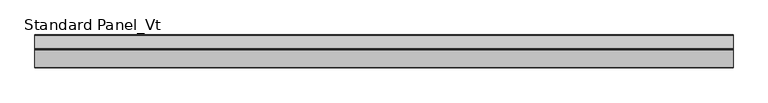
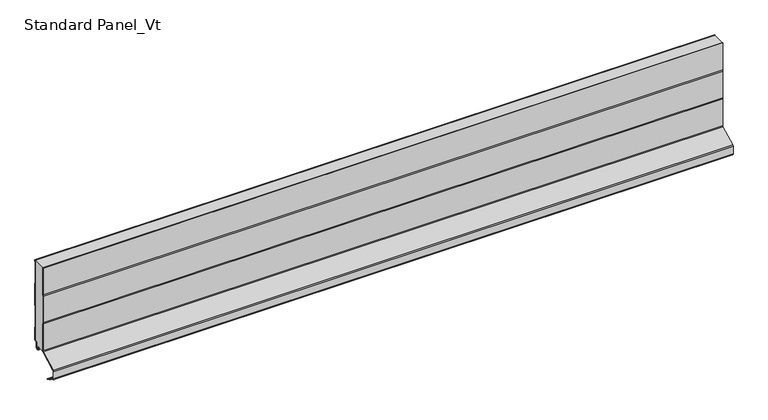
"""IFC4 building model written with IfcOpenShell, lengths in millimetres: proxy geometry, Standard Panel_Vt."""

import ifcopenshell
import ifcopenshell.guid

model = None  # the IFC model being written
_history = None  # IfcOwnerHistory: only IFC2X3 demands one
_inside = {}  # id of a spatial element -> (the spatial element, [elements in it])
_under = {}  # id of a project, library or spatial element -> (it, [spatial elements below it])
_declared = {}  # id of a project -> (the project, [libraries it declares])
_typed = {}  # id of a type object -> (the type object, [elements of that type])
_made_of = {}  # id of a material, layer set ... -> (it, [elements and type objects made of it])


def new_model(schema):
    """Start an empty IFC model of exactly this schema.

    Asked for "IFC4X3", IfcOpenShell would pick the latest addendum, in which some entities
    have other attributes; the version numbers below select the first issue.
    IFC2X3 requires an IfcOwnerHistory on every rooted entity: one is made here for all.
    """
    global model, _history
    if schema == "IFC4X3":
        model = ifcopenshell.file(schema_version=(4, 3, 0, 0))
    else:
        model = ifcopenshell.file(schema=schema)
    _inside.clear()
    _under.clear()
    _declared.clear()
    _typed.clear()
    _made_of.clear()
    _history = None
    if model.schema == "IFC2X3":
        org = make("IfcOrganization", Name="unknown")
        user = make(
            "IfcPersonAndOrganization",
            ThePerson=make("IfcPerson", FamilyName="unknown"),
            TheOrganization=org,
        )
        app = make(
            "IfcApplication",
            ApplicationDeveloper=org,
            Version="unknown",
            ApplicationFullName="unknown",
            ApplicationIdentifier="unknown",
        )
        _history = make(
            "IfcOwnerHistory",
            OwningUser=user,
            OwningApplication=app,
            ChangeAction="ADDED",
            CreationDate=0,
        )
    return model


def make(cls, **values):
    """One entity of the class cls with the attributes given. An attribute that is None is left unset."""
    return model.create_entity(
        cls, **{name: value for name, value in values.items() if value is not None}
    )


def rooted(cls, **values):
    """An entity with a GlobalId (a new one), such as an element, a storey or a relation."""
    return make(cls, GlobalId=ifcopenshell.guid.new(), OwnerHistory=_history, **values)


def si_unit(unit_type, name, prefix=None):
    """IfcSIUnit, for example si_unit("LENGTHUNIT", "METRE", prefix="MILLI")."""
    return make("IfcSIUnit", UnitType=unit_type, Prefix=prefix, Name=name)


def assignment(units):
    """IfcUnitAssignment: the units of a project."""
    return None if units is None else make("IfcUnitAssignment", Units=units)


def point(xyz):
    """IfcCartesianPoint."""
    return None if xyz is None else make("IfcCartesianPoint", Coordinates=xyz)


def direction(xyz):
    """IfcDirection."""
    return None if xyz is None else make("IfcDirection", DirectionRatios=xyz)


def frame(location, z_axis=None, x_axis=None):
    """IfcAxis2Placement3D, a coordinate frame: its origin and axes. An axis left out is left unset."""
    return make(
        "IfcAxis2Placement3D",
        Location=point(location),
        Axis=direction(z_axis),
        RefDirection=direction(x_axis),
    )


def frame_2d(location, x_axis=None):
    """IfcAxis2Placement2D, a coordinate frame in the plane: its origin and x axis."""
    return make(
        "IfcAxis2Placement2D", Location=point(location), RefDirection=direction(x_axis)
    )


def origin():
    """The frame at (0, 0, 0) with its axes left unset."""
    return frame((0.0, 0.0, 0.0))


def place(relative_to, where):
    """IfcLocalPlacement: puts the frame where relative to a parent placement (None: the world)."""
    return make(
        "IfcLocalPlacement", PlacementRelTo=relative_to, RelativePlacement=where
    )


def context(
    kind, dimensions, precision=None, world=None, true_north=None, identifier=None
):
    """IfcGeometricRepresentationContext, for example the 3D "Model" context."""
    return make(
        "IfcGeometricRepresentationContext",
        ContextIdentifier=identifier,
        ContextType=kind,
        CoordinateSpaceDimension=dimensions,
        Precision=precision,
        WorldCoordinateSystem=world,
        TrueNorth=true_north,
    )


def project(units=None, contexts=None):
    """IfcProject with its units and contexts."""
    return rooted(
        "IfcProject",
        Name="project",
        RepresentationContexts=contexts,
        UnitsInContext=assignment(units),
    )


def spatial(cls, under=None, at=None, **own):
    """A site, building, storey or space (cls), placed at a placement, below another one or the project."""
    s = rooted(cls, ObjectPlacement=at, **own)
    if under is not None:
        _under.setdefault(under.id(), (under, []))[1].append(s)
    return s


def polyline(points):
    """IfcPolyline through the points."""
    return make("IfcPolyline", Points=[point(p) for p in points])


def circle_curve(where, radius):
    """IfcCircle in the frame where."""
    return make("IfcCircle", Position=where, Radius=radius)


def trimmed(basis, trim1, trim2, sense, master):
    """IfcTrimmedCurve: the piece of a basis curve between two trims."""
    return make(
        "IfcTrimmedCurve",
        BasisCurve=basis,
        Trim1=trim1,
        Trim2=trim2,
        SenseAgreement=sense,
        MasterRepresentation=master,
    )


def segment(curve, same_sense, transition):
    """IfcCompositeCurveSegment."""
    return make(
        "IfcCompositeCurveSegment",
        Transition=transition,
        SameSense=same_sense,
        ParentCurve=curve,
    )


def composite_curve(segments, self_intersect=None):
    """IfcCompositeCurve: segments joined end to end."""
    return make("IfcCompositeCurve", Segments=segments, SelfIntersect=self_intersect)


def outline(outer, holes=None, kind="AREA"):
    """IfcArbitraryClosedProfileDef: a profile drawn as a closed curve; with holes, ...WithVoids."""
    if holes is None:
        return make("IfcArbitraryClosedProfileDef", ProfileType=kind, OuterCurve=outer)
    return make(
        "IfcArbitraryProfileDefWithVoids",
        ProfileType=kind,
        OuterCurve=outer,
        InnerCurves=holes,
    )


def extrude(swept, where, along, depth):
    """IfcExtrudedAreaSolid: the profile swept, set in the frame where, extruded along a direction by depth."""
    return make(
        "IfcExtrudedAreaSolid",
        SweptArea=swept,
        Position=where,
        ExtrudedDirection=direction(along),
        Depth=depth,
    )


def shape(context_of_items, identifier, shape_type, items):
    """IfcShapeRepresentation: the items that make up one representation, for example the "Body"."""
    return make(
        "IfcShapeRepresentation",
        ContextOfItems=context_of_items,
        RepresentationIdentifier=identifier,
        RepresentationType=shape_type,
        Items=items,
    )


def source(mapping_origin, context_of_items, identifier, shape_type, items):
    """IfcRepresentationMap: a shape defined once, which mapped items show again and again."""
    return make(
        "IfcRepresentationMap",
        MappingOrigin=mapping_origin,
        MappedRepresentation=shape(context_of_items, identifier, shape_type, items),
    )


def transform(
    local_origin,
    x_axis=None,
    y_axis=None,
    z_axis=None,
    scale=None,
    scale2=None,
    scale3=None,
    uniform=True,
):
    """IfcCartesianTransformationOperator3D, or its non-uniform kind. x_axis, y_axis, z_axis: its Axis1, 2, 3."""
    if uniform:
        return make(
            "IfcCartesianTransformationOperator3D",
            Axis1=direction(x_axis),
            Axis2=direction(y_axis),
            LocalOrigin=point(local_origin),
            Scale=scale,
            Axis3=direction(z_axis),
        )
    return make(
        "IfcCartesianTransformationOperator3DnonUniform",
        Axis1=direction(x_axis),
        Axis2=direction(y_axis),
        LocalOrigin=point(local_origin),
        Scale=scale,
        Axis3=direction(z_axis),
        Scale2=scale2,
        Scale3=scale3,
    )


def mapped(mapping_source, mapping_target):
    """IfcMappedItem: shows the shape of a source again, moved by a transform."""
    return make(
        "IfcMappedItem", MappingSource=mapping_source, MappingTarget=mapping_target
    )


def made_of(thing, what):
    """Note that an element or type object is made of a material, layer set ...; save() writes the relation."""
    if what is not None:
        _made_of.setdefault(what.id(), (what, []))[1].append(thing)
    return thing


def element(
    cls,
    number,
    at=None,
    inside=None,
    cuts=None,
    type_object=None,
    material=None,
    context=None,
    identifier="Body",
    shape_type=None,
    held_by="IfcProductDefinitionShape",
    body=None,
    shapes=None,
    **own,
):
    """One element of the class cls, such as IfcWall. Its Tag is "e" and its number.

    at: its placement. inside: the storey or other place that contains it. cuts: it is an
    opening in that element (IfcRelVoidsElement). A single representation is given by context,
    identifier, shape_type and body (its items); several are given by shapes. held_by: the class
    of the entity that holds the representations. save() writes the other relations.
    """
    e = rooted(cls, Tag="e%d" % number, ObjectPlacement=at, **own)
    if body is not None:
        shapes = [shape(context, identifier, shape_type, body)]
    if shapes is not None:
        e.Representation = make(held_by, Representations=shapes)
    if inside is not None:
        _inside.setdefault(inside.id(), (inside, []))[1].append(e)
    if cuts is not None:
        rooted(
            "IfcRelVoidsElement", RelatingBuildingElement=cuts, RelatedOpeningElement=e
        )
    if type_object is not None:
        _typed.setdefault(type_object.id(), (type_object, []))[1].append(e)
    return made_of(e, material)


def aggregate(whole, parts):
    """IfcRelAggregates: a whole, such as a stair, and the parts it consists of."""
    return rooted("IfcRelAggregates", RelatingObject=whole, RelatedObjects=parts)


def save(model, path):
    """Write the relations noted so far, then the file.

    IfcRelAggregates (storeys below a building ...), IfcRelContainedInSpatialStructure (elements
    in a storey), IfcRelDefinesByType, IfcRelAssociatesMaterial and IfcRelDeclares: one each for
    every whole, place, type object, material and project.
    """
    for whole, parts in _under.values():
        aggregate(whole, parts)
    for where, things in _inside.values():
        rooted(
            "IfcRelContainedInSpatialStructure",
            RelatedElements=things,
            RelatingStructure=where,
        )
    for kind, things in _typed.values():
        rooted("IfcRelDefinesByType", RelatedObjects=things, RelatingType=kind)
    for what, things in _made_of.values():
        rooted("IfcRelAssociatesMaterial", RelatedObjects=things, RelatingMaterial=what)
    for by, libraries in _declared.values():
        rooted("IfcRelDeclares", RelatingContext=by, RelatedDefinitions=libraries)
    model.write(path)


def standard_panel_vt_85de35ea(model_context):
    return source(origin(), model_context, "Body", "SweptSolid", [
        extrude(outline(composite_curve([segment(polyline([(-30.0, 32.543601), (-30.0, 93.6817477), (-30.9683897, 96.0633811), (-30.9683897, 156.1675713), (-30.0, 158.5492046), (-30.0, 219.2), (-29.2, 219.2), (-29.2, 158.3927799), (-30.1683897, 156.0111465), (-30.1683897, 96.2198058), (-29.2, 93.8381725), (-29.2, 32.543601)]), True, "CONTINUOUS"), segment(trimmed(circle_curve(frame_2d((-31.75, 32.543601)), 2.55), [point((-29.2, 32.543601))], [point((-30.5528475, 30.2920847))], False, "CARTESIAN"), True, "CONTINUOUS"), segment(polyline([(-30.5528475, 30.2920847), (-66.4808064, 11.1888501)]), True, "CONTINUOUS"), segment(trimmed(circle_curve(frame_2d((-65.5183897, 9.3788075)), 2.05), [point((-66.4808064, 11.1888501))], [point((-67.5683897, 9.3788075))], True, "CARTESIAN"), True, "CONTINUOUS"), segment(polyline([(-67.5683897, 9.3788075), (-67.5683897, -7.362)]), True, "CONTINUOUS"), segment(trimmed(circle_curve(frame_2d((-65.5183897, -7.362)), 2.05), [point((-67.5683897, -7.362))], [point((-66.4808064, -9.1720426))], True, "CARTESIAN"), True, "CONTINUOUS"), segment(polyline([(-66.4808064, -9.1720426), (-57.1800551, -14.1173397), (-54.9723908, -16.438449), (-51.7360251, -17.0119818), (-45.8533964, -20.139831), (-46.2289737, -20.846189), (-52.000038, -17.7776597), (-55.3708693, -17.1802976), (-57.6702585, -14.76275), (-66.8563836, -9.8784006)]), True, "CONTINUOUS"), segment(trimmed(circle_curve(frame_2d((-65.5183897, -7.362)), 2.85), [point((-66.8563836, -9.8784006))], [point((-68.3683897, -7.362))], False, "CARTESIAN"), True, "CONTINUOUS"), segment(polyline([(-68.3683897, -7.362), (-68.3683897, 9.3788075)]), True, "CONTINUOUS"), segment(trimmed(circle_curve(frame_2d((-65.5183897, 9.3788075)), 2.85), [point((-68.3683897, 9.3788075))], [point((-66.8563836, 11.8952082))], False, "CARTESIAN"), True, "CONTINUOUS"), segment(polyline([(-66.8563836, 11.8952082), (-30.9284248, 30.9984427)]), True, "CONTINUOUS"), segment(trimmed(circle_curve(frame_2d((-31.75, 32.543601)), 1.75), [point((-30.9284248, 30.9984427))], [point((-30.0, 32.543601))], True, "CARTESIAN"), True, "CONTINUOUS")], self_intersect=False)), frame((-723.9042608, 0.0, 0.0), z_axis=(1.0, 0.0, 0.0), x_axis=(0.0, 1.0, 0.0)), (0.0, 0.0, 1.0), 1447.8085217),
        extrude(outline(composite_curve([segment(polyline([(-0.8, 216.0956151), (-0.8, 219.2), (0.0, 219.2), (0.0, 215.8812557), (-1.0, 214.1492049), (-1.0, 168.1133065), (0.013703, 166.3812557), (0.013703, 116.8875118), (-0.986297, 115.1130103), (-0.986297, 69.1133065), (0.013703, 67.3812557), (0.013703, 40.153601)]), True, "CONTINUOUS"), segment(trimmed(circle_curve(frame_2d((-2.036297, 40.153601)), 2.05), [point((0.013703, 40.153601))], [point((-2.036297, 38.103601))], False, "CARTESIAN"), True, "CONTINUOUS"), segment(polyline([(-2.036297, 38.103601), (-3.436297, 38.103601)]), True, "CONTINUOUS"), segment(trimmed(circle_curve(frame_2d((-3.436297, 36.153601)), 1.95), [point((-3.436297, 38.103601))], [point((-5.386297, 36.153601))], True, "CARTESIAN"), True, "CONTINUOUS"), segment(polyline([(-5.386297, 36.153601), (-5.386297, 26.353601)]), True, "CONTINUOUS"), segment(trimmed(circle_curve(frame_2d((-9.036297, 26.353601)), 3.65), [point((-5.386297, 26.353601))], [point((-12.5927478, 25.5325297))], False, "CARTESIAN"), True, "CONTINUOUS"), segment(polyline([(-12.5927478, 25.5325297), (-13.8494131, 30.9757453), (-13.0699171, 31.1557062), (-11.8132517, 25.7124905)]), True, "CONTINUOUS"), segment(trimmed(circle_curve(frame_2d((-9.036297, 26.353601)), 2.85), [point((-11.8132517, 25.7124905))], [point((-6.186297, 26.353601))], True, "CARTESIAN"), True, "CONTINUOUS"), segment(polyline([(-6.186297, 26.353601), (-6.186297, 36.153601)]), True, "CONTINUOUS"), segment(trimmed(circle_curve(frame_2d((-3.436297, 36.153601)), 2.75), [point((-6.186297, 36.153601))], [point((-3.436297, 38.903601))], False, "CARTESIAN"), True, "CONTINUOUS"), segment(polyline([(-3.436297, 38.903601), (-2.036297, 38.903601)]), True, "CONTINUOUS"), segment(trimmed(circle_curve(frame_2d((-2.036297, 40.153601)), 1.25), [point((-2.036297, 38.903601))], [point((-0.786297, 40.153601))], True, "CARTESIAN"), True, "CONTINUOUS"), segment(polyline([(-0.786297, 40.153601), (-0.786297, 67.1668964), (-1.786297, 68.8989472), (-1.786297, 115.3229083), (-0.786297, 117.0974098), (-0.786297, 166.1668964), (-1.8, 167.8989472), (-1.8, 214.3635643), (-0.8, 216.0956151)]), True, "CONTINUOUS")], self_intersect=False)), frame((-723.9042608, 0.0, 0.0), z_axis=(1.0, 0.0, 0.0), x_axis=(0.0, 1.0, 0.0)), (0.0, 0.0, 1.0), 1447.8085217),
        extrude(outline(composite_curve([segment(polyline([(-29.2, 32.543601), (-29.2, 93.8381725), (-30.1683897, 96.2198058), (-30.1683897, 156.0111465), (-29.2, 158.3927799), (-29.2, 219.2), (-0.8, 219.2), (-0.8, 216.0956151), (-1.8, 214.3635643), (-1.8, 167.8989472), (-0.786297, 166.1668964), (-0.786297, 117.0974098), (-1.786297, 115.3229083), (-1.786297, 68.8989472), (-0.786297, 67.1668964), (-0.786297, 40.153601)]), True, "CONTINUOUS"), segment(trimmed(circle_curve(frame_2d((-2.036297, 40.153601)), 1.25), [point((-0.786297, 40.153601))], [point((-2.036297, 38.903601))], False, "CARTESIAN"), True, "CONTINUOUS"), segment(polyline([(-2.036297, 38.903601), (-3.436297, 38.903601)]), True, "CONTINUOUS"), segment(trimmed(circle_curve(frame_2d((-3.436297, 36.153601)), 2.75), [point((-3.436297, 38.903601))], [point((-6.186297, 36.153601))], True, "CARTESIAN"), True, "CONTINUOUS"), segment(polyline([(-6.186297, 36.153601), (-6.186297, 26.353601)]), True, "CONTINUOUS"), segment(trimmed(circle_curve(frame_2d((-9.036297, 26.353601)), 2.85), [point((-6.186297, 26.353601))], [point((-11.8132517, 25.7124905))], False, "CARTESIAN"), True, "CONTINUOUS"), segment(polyline([(-11.8132517, 25.7124905), (-13.0699171, 31.1557062), (-29.6107833, 31.1557062)]), True, "CONTINUOUS"), segment(trimmed(circle_curve(frame_2d((-31.75, 32.543601)), 2.55), [point((-29.6107833, 31.1557062))], [point((-29.2, 32.543601))], True, "CARTESIAN"), True, "CONTINUOUS")], self_intersect=False)), frame((-723.9042608, 0.0, 0.0), z_axis=(1.0, 0.0, 0.0), x_axis=(0.0, 1.0, 0.0)), (0.0, 0.0, 1.0), 1447.8085217),
    ])


if __name__ == "__main__":
    model = new_model("IFC4")
    model_context = context("Model", 3, world=origin())
    ifc_project = project(units=[si_unit("LENGTHUNIT", "METRE", prefix="MILLI")], contexts=[model_context])
    site = spatial("IfcSite", under=ifc_project)
    building = spatial("IfcBuilding", under=site)
    placement = place(None, origin())
    standard_panel_vt_shape = standard_panel_vt_85de35ea(model_context)
    element("IfcBuildingElementProxy", 1, Name="Standard Panel_Vt", ObjectType="Standard Panel_Vt", at=placement, inside=building, context=model_context, shape_type="MappedRepresentation", body=[
        mapped(standard_panel_vt_shape, transform((0.0, 0.0, 0.0), x_axis=(1.0, 0.0, 0.0), y_axis=(0.0, 1.0, 0.0), z_axis=(0.0, 0.0, 1.0))),
    ])
    save(model, "model.ifc")
